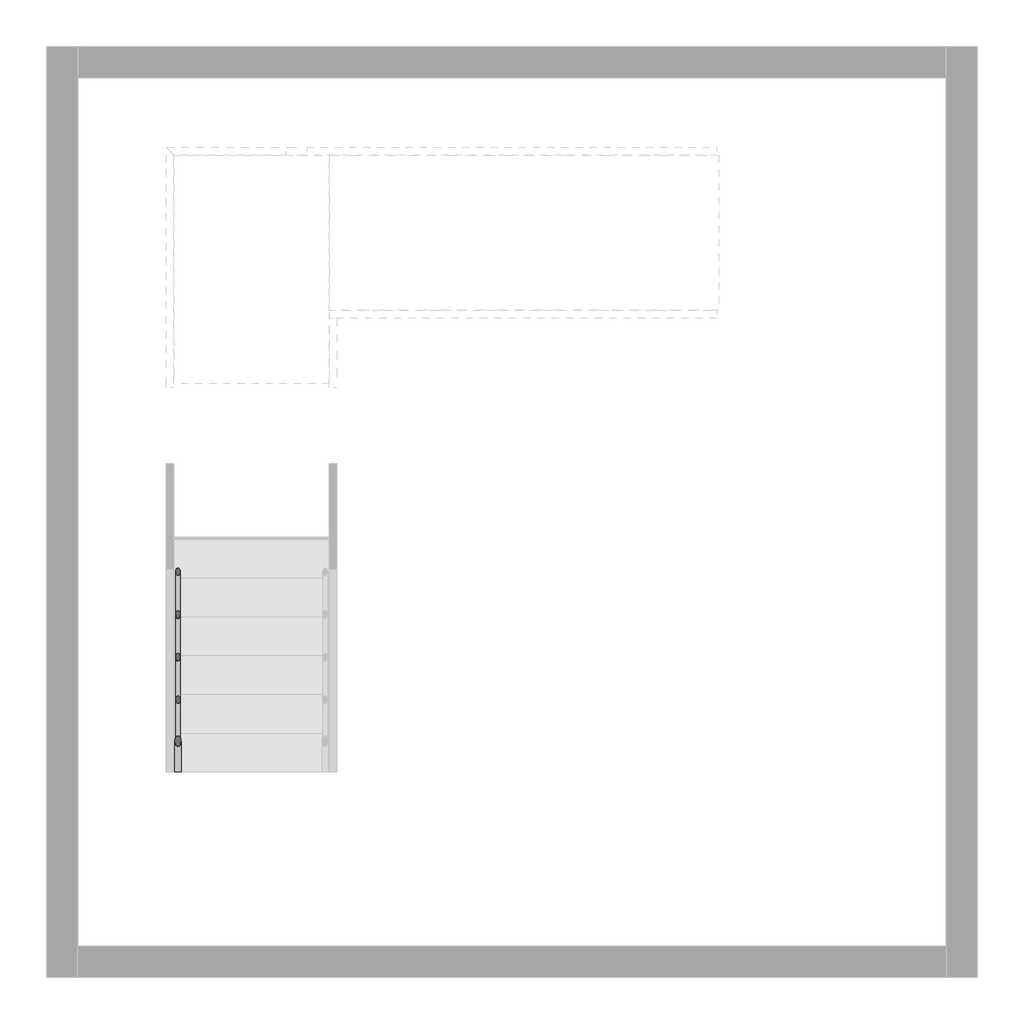
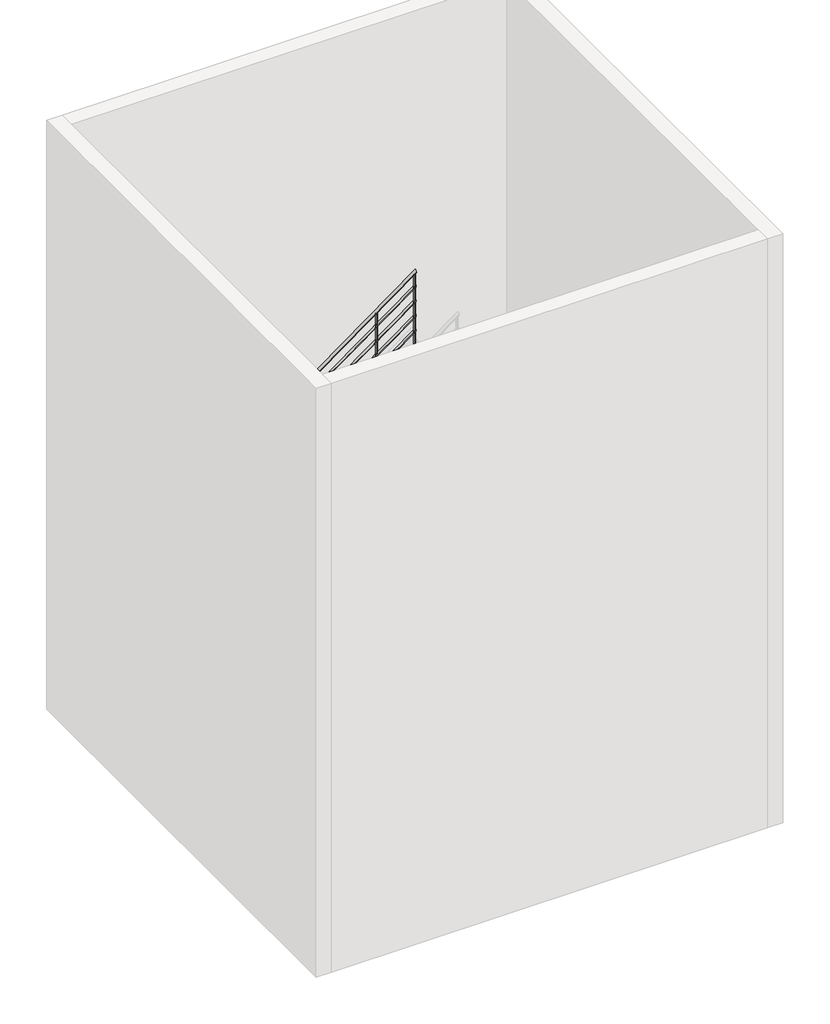
# One storey, part 4 of 7: 1 railing.
"""IFC4 building model written with IfcOpenShell, lengths in millimetres."""

import ifcopenshell
import ifcopenshell.guid

model = None  # the IFC model being written
_history = None  # IfcOwnerHistory: only IFC2X3 demands one
_inside = {}  # id of a spatial element -> (the spatial element, [elements in it])
_under = {}  # id of a project, library or spatial element -> (it, [spatial elements below it])
_declared = {}  # id of a project -> (the project, [libraries it declares])
_typed = {}  # id of a type object -> (the type object, [elements of that type])
_made_of = {}  # id of a material, layer set ... -> (it, [elements and type objects made of it])


def new_model(schema):
    """Start an empty IFC model of exactly this schema.

    Asked for "IFC4X3", IfcOpenShell would pick the latest addendum, in which some entities
    have other attributes; the version numbers below select the first issue.
    IFC2X3 requires an IfcOwnerHistory on every rooted entity: one is made here for all.
    """
    global model, _history
    if schema == "IFC4X3":
        model = ifcopenshell.file(schema_version=(4, 3, 0, 0))
    else:
        model = ifcopenshell.file(schema=schema)
    _inside.clear()
    _under.clear()
    _declared.clear()
    _typed.clear()
    _made_of.clear()
    _history = None
    if model.schema == "IFC2X3":
        org = make("IfcOrganization", Name="unknown")
        user = make(
            "IfcPersonAndOrganization",
            ThePerson=make("IfcPerson", FamilyName="unknown"),
            TheOrganization=org,
        )
        app = make(
            "IfcApplication",
            ApplicationDeveloper=org,
            Version="unknown",
            ApplicationFullName="unknown",
            ApplicationIdentifier="unknown",
        )
        _history = make(
            "IfcOwnerHistory",
            OwningUser=user,
            OwningApplication=app,
            ChangeAction="ADDED",
            CreationDate=0,
        )
    return model


def make(cls, **values):
    """One entity of the class cls with the attributes given. An attribute that is None is left unset."""
    return model.create_entity(
        cls, **{name: value for name, value in values.items() if value is not None}
    )


def rooted(cls, **values):
    """An entity with a GlobalId (a new one), such as an element, a storey or a relation."""
    return make(cls, GlobalId=ifcopenshell.guid.new(), OwnerHistory=_history, **values)


def si_unit(unit_type, name, prefix=None):
    """IfcSIUnit, for example si_unit("LENGTHUNIT", "METRE", prefix="MILLI")."""
    return make("IfcSIUnit", UnitType=unit_type, Prefix=prefix, Name=name)


def assignment(units):
    """IfcUnitAssignment: the units of a project."""
    return None if units is None else make("IfcUnitAssignment", Units=units)


def point(xyz):
    """IfcCartesianPoint."""
    return None if xyz is None else make("IfcCartesianPoint", Coordinates=xyz)


def direction(xyz):
    """IfcDirection."""
    return None if xyz is None else make("IfcDirection", DirectionRatios=xyz)


def frame(location, z_axis=None, x_axis=None):
    """IfcAxis2Placement3D, a coordinate frame: its origin and axes. An axis left out is left unset."""
    return make(
        "IfcAxis2Placement3D",
        Location=point(location),
        Axis=direction(z_axis),
        RefDirection=direction(x_axis),
    )


def frame_2d(location, x_axis=None):
    """IfcAxis2Placement2D, a coordinate frame in the plane: its origin and x axis."""
    return make(
        "IfcAxis2Placement2D", Location=point(location), RefDirection=direction(x_axis)
    )


def origin():
    """The frame at (0, 0, 0) with its axes left unset."""
    return frame((0.0, 0.0, 0.0))


def place(relative_to, where):
    """IfcLocalPlacement: puts the frame where relative to a parent placement (None: the world)."""
    return make(
        "IfcLocalPlacement", PlacementRelTo=relative_to, RelativePlacement=where
    )


def context(
    kind, dimensions, precision=None, world=None, true_north=None, identifier=None
):
    """IfcGeometricRepresentationContext, for example the 3D "Model" context."""
    return make(
        "IfcGeometricRepresentationContext",
        ContextIdentifier=identifier,
        ContextType=kind,
        CoordinateSpaceDimension=dimensions,
        Precision=precision,
        WorldCoordinateSystem=world,
        TrueNorth=true_north,
    )


def project(units=None, contexts=None):
    """IfcProject with its units and contexts."""
    return rooted(
        "IfcProject",
        Name="project",
        RepresentationContexts=contexts,
        UnitsInContext=assignment(units),
    )


def spatial(cls, under=None, at=None, **own):
    """A site, building, storey or space (cls), placed at a placement, below another one or the project."""
    s = rooted(cls, ObjectPlacement=at, **own)
    if under is not None:
        _under.setdefault(under.id(), (under, []))[1].append(s)
    return s


def circle_curve(where, radius):
    """IfcCircle in the frame where."""
    return make("IfcCircle", Position=where, Radius=radius)


def ellipse_curve(where, semi_axis1, semi_axis2):
    """IfcEllipse in the frame where."""
    return make(
        "IfcEllipse", Position=where, SemiAxis1=semi_axis1, SemiAxis2=semi_axis2
    )


def trimmed(basis, trim1, trim2, sense, master):
    """IfcTrimmedCurve: the piece of a basis curve between two trims."""
    return make(
        "IfcTrimmedCurve",
        BasisCurve=basis,
        Trim1=trim1,
        Trim2=trim2,
        SenseAgreement=sense,
        MasterRepresentation=master,
    )


def segment(curve, same_sense, transition):
    """IfcCompositeCurveSegment."""
    return make(
        "IfcCompositeCurveSegment",
        Transition=transition,
        SameSense=same_sense,
        ParentCurve=curve,
    )


def composite_curve(segments, self_intersect=None):
    """IfcCompositeCurve: segments joined end to end."""
    return make("IfcCompositeCurve", Segments=segments, SelfIntersect=self_intersect)


def outline(outer, holes=None, kind="AREA"):
    """IfcArbitraryClosedProfileDef: a profile drawn as a closed curve; with holes, ...WithVoids."""
    if holes is None:
        return make("IfcArbitraryClosedProfileDef", ProfileType=kind, OuterCurve=outer)
    return make(
        "IfcArbitraryProfileDefWithVoids",
        ProfileType=kind,
        OuterCurve=outer,
        InnerCurves=holes,
    )


def extrude(swept, where, along, depth):
    """IfcExtrudedAreaSolid: the profile swept, set in the frame where, extruded along a direction by depth."""
    return make(
        "IfcExtrudedAreaSolid",
        SweptArea=swept,
        Position=where,
        ExtrudedDirection=direction(along),
        Depth=depth,
    )


def shape(context_of_items, identifier, shape_type, items):
    """IfcShapeRepresentation: the items that make up one representation, for example the "Body"."""
    return make(
        "IfcShapeRepresentation",
        ContextOfItems=context_of_items,
        RepresentationIdentifier=identifier,
        RepresentationType=shape_type,
        Items=items,
    )


def made_of(thing, what):
    """Note that an element or type object is made of a material, layer set ...; save() writes the relation."""
    if what is not None:
        _made_of.setdefault(what.id(), (what, []))[1].append(thing)
    return thing


def element(
    cls,
    number,
    at=None,
    inside=None,
    cuts=None,
    type_object=None,
    material=None,
    context=None,
    identifier="Body",
    shape_type=None,
    held_by="IfcProductDefinitionShape",
    body=None,
    shapes=None,
    **own,
):
    """One element of the class cls, such as IfcWall. Its Tag is "e" and its number.

    at: its placement. inside: the storey or other place that contains it. cuts: it is an
    opening in that element (IfcRelVoidsElement). A single representation is given by context,
    identifier, shape_type and body (its items); several are given by shapes. held_by: the class
    of the entity that holds the representations. save() writes the other relations.
    """
    e = rooted(cls, Tag="e%d" % number, ObjectPlacement=at, **own)
    if body is not None:
        shapes = [shape(context, identifier, shape_type, body)]
    if shapes is not None:
        e.Representation = make(held_by, Representations=shapes)
    if inside is not None:
        _inside.setdefault(inside.id(), (inside, []))[1].append(e)
    if cuts is not None:
        rooted(
            "IfcRelVoidsElement", RelatingBuildingElement=cuts, RelatedOpeningElement=e
        )
    if type_object is not None:
        _typed.setdefault(type_object.id(), (type_object, []))[1].append(e)
    return made_of(e, material)


def aggregate(whole, parts):
    """IfcRelAggregates: a whole, such as a stair, and the parts it consists of."""
    return rooted("IfcRelAggregates", RelatingObject=whole, RelatedObjects=parts)


def save(model, path):
    """Write the relations noted so far, then the file.

    IfcRelAggregates (storeys below a building ...), IfcRelContainedInSpatialStructure (elements
    in a storey), IfcRelDefinesByType, IfcRelAssociatesMaterial and IfcRelDeclares: one each for
    every whole, place, type object, material and project.
    """
    for whole, parts in _under.values():
        aggregate(whole, parts)
    for where, things in _inside.values():
        rooted(
            "IfcRelContainedInSpatialStructure",
            RelatedElements=things,
            RelatingStructure=where,
        )
    for kind, things in _typed.values():
        rooted("IfcRelDefinesByType", RelatedObjects=things, RelatingType=kind)
    for what, things in _made_of.values():
        rooted("IfcRelAssociatesMaterial", RelatedObjects=things, RelatingMaterial=what)
    for by, libraries in _declared.values():
        rooted("IfcRelDeclares", RelatingContext=by, RelatedDefinitions=libraries)
    model.write(path)


def plane_surface(at):
    """IfcPlane: the flat surface through the origin of the frame at, square to its z axis."""
    return make("IfcPlane", Position=at)


def cylinder_surface(at, radius):
    """IfcCylindricalSurface: all points at the distance radius from the z axis of the frame at."""
    return make("IfcCylindricalSurface", Position=at, Radius=radius)


def advanced_brep(points, edges, surfaces, faces):
    """IfcAdvancedBrep: a solid bounded by faces that lie on surfaces and meet in shared edges.

    An edge is (start, end): straight between two places in points (the first is 0);
    or (start, end, curve); or (start, end, curve, False) where it runs against its curve.
    A face is (place in surfaces, loops), or (place, loops, False) where it looks against
    its surface's normal. A loop lists edges by number (the first is 1), with a minus sign
    where the edge is run from its end to its start. The first loop is the outer one.
    """
    corners = [point(p) for p in points]
    vertices = [make("IfcVertexPoint", VertexGeometry=c) for c in corners]
    made = []
    for start, end, *more in edges:
        made.append(
            make(
                "IfcEdgeCurve",
                EdgeStart=vertices[start],
                EdgeEnd=vertices[end],
                EdgeGeometry=more[0] if more else make("IfcPolyline", Points=[corners[start], corners[end]]),
                SameSense=more[1] if len(more) > 1 else True,
            )
        )
    hull = []
    for where, loops, *sense in faces:
        bounds = []
        for j, loop in enumerate(loops):
            ring = [make("IfcOrientedEdge", EdgeElement=made[abs(k) - 1], Orientation=k > 0) for k in loop]
            bounds.append(
                make(
                    "IfcFaceOuterBound" if j == 0 else "IfcFaceBound",
                    Bound=make("IfcEdgeLoop", EdgeList=ring),
                    Orientation=True,
                )
            )
        hull.append(make("IfcAdvancedFace", Bounds=bounds, FaceSurface=surfaces[where], SameSense=sense[0] if sense else True))
    return make("IfcAdvancedBrep", Outer=make("IfcClosedShell", CfsFaces=hull))


model = new_model("IFC4")

# Units and contexts
model_context = context("Model", 3, world=origin())
ifc_project = project(units=[si_unit("LENGTHUNIT", "METRE", prefix="MILLI")], contexts=[model_context])

# Site, building, storey
site = spatial("IfcSite", under=ifc_project)
building = spatial("IfcBuilding", under=site)
storey = spatial("IfcBuildingStorey", under=building, Elevation=0.0)

# Railing
placement = place(None, origin())
element("IfcRailing", 1, at=placement, inside=storey, context=model_context, shape_type="SolidModel", body=[
    advanced_brep(
    [(-5075.0675457, -20822.7019092, 1057.0882354), (-5115.0675457, -20822.7019092, 1057.0882354), (-5075.0675457, -18316.198233, 2880.0), (-5115.0675457, -18316.198233, 2880.0), (-5075.0675457, -16893.6676251, 2880.0), (-5115.0675457, -16853.6676251, 2880.0), (-4363.9638695, -16893.6676251, 2880.0), (-4363.9638695, -16853.6676251, 2880.0), (-4108.7041118, -16893.6676251, 3065.6434601), (-4108.7041118, -16853.6676251, 3065.6434601), (-1620.4675457, -16893.6676251, 4875.2700536), (-1620.4675457, -16853.6676251, 4875.2700536)],
    [
        (0, 1, ellipse_curve(frame((-5095.0675457, -20822.7019092, 1057.0882354), z_axis=(0.0, -1.0, 0.0), x_axis=(0.0, 0.0, -1.0)), 24.7299464, 20.0)),
        (1, 0, ellipse_curve(frame((-5095.0675457, -20822.7019092, 1057.0882354), z_axis=(0.0, -1.0, 0.0), x_axis=(0.0, 0.0, -1.0)), 24.7299464, 20.0)),
        (0, 2),
        (2, 3, ellipse_curve(frame((-5095.0675457, -18316.198233, 2880.0), z_axis=(0.0, -0.9509826718461248, -0.30924417189076636), x_axis=(0.0, 0.30924417189076703, -0.9509826718461245)), 21.0308774, 20.0)),
        (3, 1),
        (3, 2, ellipse_curve(frame((-5095.0675457, -18316.198233, 2880.0), z_axis=(0.0, -0.9509826718461248, -0.30924417189076636), x_axis=(0.0, 0.30924417189076703, -0.9509826718461245)), 21.0308774, 20.0)),
        (2, 4),
        (4, 5, ellipse_curve(frame((-5095.0675457, -16873.6676251, 2880.0), z_axis=(-0.7071067811865475, -0.7071067811865475, 0.0), x_axis=(0.7071067811865474, -0.7071067811865476, 0.0)), 28.2842712, 20.0)),
        (5, 3),
        (5, 4, ellipse_curve(frame((-5095.0675457, -16873.6676251, 2880.0), z_axis=(-0.7071067811865475, -0.7071067811865475, 0.0), x_axis=(0.7071067811865474, -0.7071067811865476, 0.0)), 28.2842712, 20.0)),
        (4, 6),
        (6, 7, ellipse_curve(frame((-4363.9638695, -16873.6676251, 2880.0), z_axis=(-0.9509826718461248, 0.0, -0.3092441718907662), x_axis=(-0.3092441718907657, 0.0, 0.9509826718461248)), 21.0308774, 20.0)),
        (7, 5),
        (7, 6, ellipse_curve(frame((-4363.9638695, -16873.6676251, 2880.0), z_axis=(-0.9509826718461248, 0.0, -0.3092441718907662), x_axis=(-0.3092441718907657, 0.0, 0.9509826718461248)), 21.0308774, 20.0)),
        (6, 8),
        (8, 9, circle_curve(frame((-4108.7041118, -16873.6676251, 3065.6434601), z_axis=(-0.8087360843031884, 0.0, -0.5881716976750463), x_axis=(0.0, 1.0, 0.0)), 20.0)),
        (9, 7),
        (9, 8, circle_curve(frame((-4108.7041118, -16873.6676251, 3065.6434601), z_axis=(-0.8087360843031884, 0.0, -0.5881716976750463), x_axis=(0.0, 1.0, 0.0)), 20.0)),
        (10, 11, ellipse_curve(frame((-1620.4675457, -16873.6676251, 4875.2700536), z_axis=(1.0, 0.0, 0.0), x_axis=(0.0, 0.0, -1.0)), 24.7299464, 20.0)),
        (11, 10, ellipse_curve(frame((-1620.4675457, -16873.6676251, 4875.2700536), z_axis=(1.0, 0.0, 0.0), x_axis=(0.0, 0.0, -1.0)), 24.7299464, 20.0)),
        (8, 10),
        (11, 9),
    ],
    [
        plane_surface(frame((-5095.0675457, -20822.7019092, 1081.8181818), z_axis=(0.0, -1.0, 0.0), x_axis=(0.0, 0.0, 1.0))),
        cylinder_surface(frame((-5095.0675457, -20810.9384753, 1065.6434601), z_axis=(0.0, -0.8087360843031884, -0.5881716976750465), x_axis=(-1.0, 0.0, 0.0)), 20.0),
        cylinder_surface(frame((-5095.0675457, -18322.7019092, 2880.0), z_axis=(0.0, -1.0, 0.0), x_axis=(-1.0, 0.0, 0.0)), 20.0),
        cylinder_surface(frame((-5095.0675457, -16873.6676251, 2880.0), z_axis=(-1.0, 0.0, 0.0), x_axis=(0.0, 1.0, 0.0)), 20.0),
        cylinder_surface(frame((-4358.7041118, -16873.6676251, 2883.8252783), z_axis=(-0.8087360843031884, 0.0, -0.5881716976750463), x_axis=(0.0, 1.0, 0.0)), 20.0),
        plane_surface(frame((-1620.4675457, -16873.6676251, 4900.0), z_axis=(1.0, 0.0, 0.0), x_axis=(0.0, 1.0, 0.0))),
        cylinder_surface(frame((-4108.7041118, -16873.6676251, 3065.6434601), z_axis=(-0.8087360843031883, 0.0, -0.5881716976750465), x_axis=(0.0, 1.0, 0.0)), 20.0),
    ],
    [
        (0, [[1, 2]]),
        (1, [[-1, 3, 4, 5]]),
        (1, [[-2, -5, 6, -3]]),
        (2, [[-4, 7, 8, 9]]),
        (2, [[-6, -9, 10, -7]]),
        (3, [[-8, 11, 12, 13]]),
        (3, [[-10, -13, 14, -11]]),
        (4, [[-12, 15, 16, 17]]),
        (4, [[-14, -17, 18, -15]]),
        (5, [[19, 20]]),
        (6, [[-16, 21, -20, 22]]),
        (6, [[-18, -22, -19, -21]]),
    ],
),
    advanced_brep(
    [(-5080.0675457, -20822.7019092, 863.270722), (-5110.0675457, -20822.7019092, 863.270722), (-5080.0675457, -18322.7019092, 2681.4525402), (-5110.0675457, -18322.7019092, 2681.4525402)],
    [
        (0, 1, ellipse_curve(frame((-5095.0675457, -20822.7019092, 863.270722), z_axis=(0.0, -1.0, 0.0), x_axis=(0.0, 0.0, -1.0)), 18.5474598, 15.0)),
        (1, 0, ellipse_curve(frame((-5095.0675457, -20822.7019092, 863.270722), z_axis=(0.0, -1.0, 0.0), x_axis=(0.0, 0.0, -1.0)), 18.5474598, 15.0)),
        (2, 3, ellipse_curve(frame((-5095.0675457, -18322.7019092, 2681.4525402), z_axis=(0.0, 1.0, 0.0), x_axis=(0.0, 0.0, -1.0)), 18.5474598, 15.0)),
        (3, 2, ellipse_curve(frame((-5095.0675457, -18322.7019092, 2681.4525402), z_axis=(0.0, 1.0, 0.0), x_axis=(0.0, 0.0, -1.0)), 18.5474598, 15.0)),
        (0, 2),
        (3, 1),
    ],
    [
        plane_surface(frame((-5095.0675457, -20822.7019092, 881.8181818), z_axis=(0.0, -1.0, 0.0), x_axis=(0.0, 0.0, 1.0))),
        plane_surface(frame((-5095.0675457, -18322.7019092, 2700.0), z_axis=(0.0, 1.0, 0.0), x_axis=(0.0, 0.0, 1.0))),
        cylinder_surface(frame((-5095.0675457, -20813.8793338, 869.6871406), z_axis=(0.0, -0.8087360843031888, -0.588171697675046), x_axis=(-1.0, 0.0, 0.0)), 15.0),
    ],
    [
        (0, [[1, 2]]),
        (1, [[3, 4]]),
        (2, [[-1, 5, -4, 6]]),
        (2, [[-2, -6, -3, -5]]),
    ],
),
    advanced_brep(
    [(-5080.0675457, -18322.7019092, 2685.0), (-5110.0675457, -18322.7019092, 2685.0), (-5080.0675457, -16888.6676251, 2685.0), (-5110.0675457, -16888.6676251, 2685.0)],
    [
        (0, 1, circle_curve(frame((-5095.0675457, -18322.7019092, 2685.0), z_axis=(0.0, -1.0, 0.0), x_axis=(-1.0, 0.0, 0.0)), 15.0)),
        (1, 0, circle_curve(frame((-5095.0675457, -18322.7019092, 2685.0), z_axis=(0.0, -1.0, 0.0), x_axis=(-1.0, 0.0, 0.0)), 15.0)),
        (2, 3, circle_curve(frame((-5095.0675457, -16888.6676251, 2685.0), z_axis=(0.0, 1.0, 0.0), x_axis=(-1.0, 0.0, 0.0)), 15.0)),
        (3, 2, circle_curve(frame((-5095.0675457, -16888.6676251, 2685.0), z_axis=(0.0, 1.0, 0.0), x_axis=(-1.0, 0.0, 0.0)), 15.0)),
        (0, 2),
        (3, 1),
    ],
    [
        plane_surface(frame((-5095.0675457, -18322.7019092, 2700.0), z_axis=(0.0, -1.0, 0.0), x_axis=(0.0, 0.0, 1.0))),
        plane_surface(frame((-5095.0675457, -16888.6676251, 2700.0), z_axis=(0.0, 1.0, 0.0), x_axis=(0.0, 0.0, 1.0))),
        cylinder_surface(frame((-5095.0675457, -18322.7019092, 2685.0), z_axis=(0.0, -1.0, 0.0), x_axis=(-1.0, 0.0, 0.0)), 15.0),
    ],
    [
        (0, [[1, 2]]),
        (1, [[3, 4]]),
        (2, [[-1, 5, -4, 6]]),
        (2, [[-2, -6, -3, -5]]),
    ],
),
    advanced_brep(
    [(-5110.0675457, -16888.6676251, 2685.0), (-5110.0675457, -16858.6676251, 2685.0), (-4365.5897885, -16888.6676251, 2685.0), (-4365.5897885, -16858.6676251, 2685.0), (-4120.4675457, -16888.6676251, 2863.270722), (-4120.4675457, -16858.6676251, 2863.270722)],
    [
        (0, 1, circle_curve(frame((-5110.0675457, -16873.6676251, 2685.0), z_axis=(-1.0, 0.0, 0.0), x_axis=(0.0, 1.0, 0.0)), 15.0)),
        (1, 0, circle_curve(frame((-5110.0675457, -16873.6676251, 2685.0), z_axis=(-1.0, 0.0, 0.0), x_axis=(0.0, 1.0, 0.0)), 15.0)),
        (0, 2),
        (2, 3, ellipse_curve(frame((-4365.5897885, -16873.6676251, 2685.0), z_axis=(-0.9509826718461248, 0.0, -0.30924417189076603), x_axis=(-0.3092441718907659, 0.0, 0.9509826718461248)), 15.7731581, 15.0)),
        (3, 1),
        (3, 2, ellipse_curve(frame((-4365.5897885, -16873.6676251, 2685.0), z_axis=(-0.9509826718461248, 0.0, -0.30924417189076603), x_axis=(-0.3092441718907659, 0.0, 0.9509826718461248)), 15.7731581, 15.0)),
        (4, 5, ellipse_curve(frame((-4120.4675457, -16873.6676251, 2863.270722), z_axis=(1.0, 0.0, 0.0), x_axis=(0.0, 0.0, -1.0)), 18.5474598, 15.0)),
        (5, 4, ellipse_curve(frame((-4120.4675457, -16873.6676251, 2863.270722), z_axis=(1.0, 0.0, 0.0), x_axis=(0.0, 0.0, -1.0)), 18.5474598, 15.0)),
        (2, 4),
        (5, 3),
    ],
    [
        plane_surface(frame((-5110.0675457, -16873.6676251, 2700.0), z_axis=(-1.0, 0.0, 0.0), x_axis=(0.0, 1.0, 0.0))),
        cylinder_surface(frame((-5110.0675457, -16873.6676251, 2685.0), z_axis=(-1.0, 0.0, 0.0), x_axis=(0.0, 1.0, 0.0)), 15.0),
        plane_surface(frame((-4120.4675457, -16873.6676251, 2881.8181818), z_axis=(1.0, 0.0, 0.0), x_axis=(0.0, 1.0, 0.0))),
        cylinder_surface(frame((-4361.6449703, -16873.6676251, 2687.8689587), z_axis=(-0.8087360843031887, 0.0, -0.588171697675046), x_axis=(0.0, 1.0, 0.0)), 15.0),
    ],
    [
        (0, [[1, 2]]),
        (1, [[-1, 3, 4, 5]]),
        (1, [[-2, -5, 6, -3]]),
        (2, [[7, 8]]),
        (3, [[-4, 9, -8, 10]]),
        (3, [[-6, -10, -7, -9]]),
    ],
),
    advanced_brep(
    [(-4120.4675457, -16888.6676251, 2863.270722), (-4120.4675457, -16858.6676251, 2863.270722), (-1620.4675457, -16888.6676251, 4681.4525402), (-1620.4675457, -16858.6676251, 4681.4525402)],
    [
        (0, 1, ellipse_curve(frame((-4120.4675457, -16873.6676251, 2863.270722), z_axis=(-1.0, 0.0, 0.0), x_axis=(0.0, 0.0, -0.9999999999999999)), 18.5474598, 15.0)),
        (1, 0, ellipse_curve(frame((-4120.4675457, -16873.6676251, 2863.270722), z_axis=(-1.0, 0.0, 0.0), x_axis=(0.0, 0.0, -0.9999999999999999)), 18.5474598, 15.0)),
        (2, 3, ellipse_curve(frame((-1620.4675457, -16873.6676251, 4681.4525402), z_axis=(1.0, 0.0, 0.0), x_axis=(0.0, 0.0, -0.9999999999999999)), 18.5474598, 15.0)),
        (3, 2, ellipse_curve(frame((-1620.4675457, -16873.6676251, 4681.4525402), z_axis=(1.0, 0.0, 0.0), x_axis=(0.0, 0.0, -0.9999999999999999)), 18.5474598, 15.0)),
        (0, 2),
        (3, 1),
    ],
    [
        plane_surface(frame((-4120.4675457, -16873.6676251, 2881.8181818), z_axis=(-1.0, 0.0, 0.0), x_axis=(0.0, 1.0, 0.0))),
        plane_surface(frame((-1620.4675457, -16873.6676251, 4700.0), z_axis=(1.0, 0.0, 0.0), x_axis=(0.0, 1.0, 0.0))),
        cylinder_surface(frame((-4111.6449703, -16873.6676251, 2869.6871406), z_axis=(-0.8087360843031886, 0.0, -0.5881716976750463), x_axis=(0.0, 1.0, 0.0)), 15.0),
    ],
    [
        (0, [[1, 2]]),
        (1, [[3, 4]]),
        (2, [[-1, 5, -4, 6]]),
        (2, [[-2, -6, -3, -5]]),
    ],
),
    advanced_brep(
    [(-5080.0675457, -20822.7019092, 663.270722), (-5110.0675457, -20822.7019092, 663.270722), (-5080.0675457, -18322.7019092, 2481.4525402), (-5110.0675457, -18322.7019092, 2481.4525402)],
    [
        (0, 1, ellipse_curve(frame((-5095.0675457, -20822.7019092, 663.270722), z_axis=(0.0, -1.0, 0.0), x_axis=(0.0, 0.0, -1.0)), 18.5474598, 15.0)),
        (1, 0, ellipse_curve(frame((-5095.0675457, -20822.7019092, 663.270722), z_axis=(0.0, -1.0, 0.0), x_axis=(0.0, 0.0, -1.0)), 18.5474598, 15.0)),
        (2, 3, ellipse_curve(frame((-5095.0675457, -18322.7019092, 2481.4525402), z_axis=(0.0, 1.0, 0.0), x_axis=(0.0, 0.0, -1.0)), 18.5474598, 15.0)),
        (3, 2, ellipse_curve(frame((-5095.0675457, -18322.7019092, 2481.4525402), z_axis=(0.0, 1.0, 0.0), x_axis=(0.0, 0.0, -1.0)), 18.5474598, 15.0)),
        (0, 2),
        (3, 1),
    ],
    [
        plane_surface(frame((-5095.0675457, -20822.7019092, 681.8181818), z_axis=(0.0, -1.0, 0.0), x_axis=(0.0, 0.0, 1.0))),
        plane_surface(frame((-5095.0675457, -18322.7019092, 2500.0), z_axis=(0.0, 1.0, 0.0), x_axis=(0.0, 0.0, 1.0))),
        cylinder_surface(frame((-5095.0675457, -20813.8793338, 669.6871406), z_axis=(0.0, -0.8087360843031888, -0.588171697675046), x_axis=(-1.0, 0.0, 0.0)), 15.0),
    ],
    [
        (0, [[1, 2]]),
        (1, [[3, 4]]),
        (2, [[-1, 5, -4, 6]]),
        (2, [[-2, -6, -3, -5]]),
    ],
),
    advanced_brep(
    [(-5080.0675457, -18322.7019092, 2485.0), (-5110.0675457, -18322.7019092, 2485.0), (-5080.0675457, -16888.6676251, 2485.0), (-5110.0675457, -16888.6676251, 2485.0)],
    [
        (0, 1, circle_curve(frame((-5095.0675457, -18322.7019092, 2485.0), z_axis=(0.0, -1.0, 0.0), x_axis=(-1.0, 0.0, 0.0)), 15.0)),
        (1, 0, circle_curve(frame((-5095.0675457, -18322.7019092, 2485.0), z_axis=(0.0, -1.0, 0.0), x_axis=(-1.0, 0.0, 0.0)), 15.0)),
        (2, 3, circle_curve(frame((-5095.0675457, -16888.6676251, 2485.0), z_axis=(0.0, 1.0, 0.0), x_axis=(-1.0, 0.0, 0.0)), 15.0)),
        (3, 2, circle_curve(frame((-5095.0675457, -16888.6676251, 2485.0), z_axis=(0.0, 1.0, 0.0), x_axis=(-1.0, 0.0, 0.0)), 15.0)),
        (0, 2),
        (3, 1),
    ],
    [
        plane_surface(frame((-5095.0675457, -18322.7019092, 2500.0), z_axis=(0.0, -1.0, 0.0), x_axis=(0.0, 0.0, 1.0))),
        plane_surface(frame((-5095.0675457, -16888.6676251, 2500.0), z_axis=(0.0, 1.0, 0.0), x_axis=(0.0, 0.0, 1.0))),
        cylinder_surface(frame((-5095.0675457, -18322.7019092, 2485.0), z_axis=(0.0, -1.0, 0.0), x_axis=(-1.0, 0.0, 0.0)), 15.0),
    ],
    [
        (0, [[1, 2]]),
        (1, [[3, 4]]),
        (2, [[-1, 5, -4, 6]]),
        (2, [[-2, -6, -3, -5]]),
    ],
),
    advanced_brep(
    [(-5110.0675457, -16888.6676251, 2485.0), (-5110.0675457, -16858.6676251, 2485.0), (-4365.5897885, -16888.6676251, 2485.0), (-4365.5897885, -16858.6676251, 2485.0), (-4120.4675457, -16888.6676251, 2663.270722), (-4120.4675457, -16858.6676251, 2663.270722)],
    [
        (0, 1, circle_curve(frame((-5110.0675457, -16873.6676251, 2485.0), z_axis=(-1.0, 0.0, 0.0), x_axis=(0.0, 1.0, 0.0)), 15.0)),
        (1, 0, circle_curve(frame((-5110.0675457, -16873.6676251, 2485.0), z_axis=(-1.0, 0.0, 0.0), x_axis=(0.0, 1.0, 0.0)), 15.0)),
        (0, 2),
        (2, 3, ellipse_curve(frame((-4365.5897885, -16873.6676251, 2485.0), z_axis=(-0.9509826718461248, 0.0, -0.30924417189076603), x_axis=(-0.3092441718907659, 0.0, 0.9509826718461248)), 15.7731581, 15.0)),
        (3, 1),
        (3, 2, ellipse_curve(frame((-4365.5897885, -16873.6676251, 2485.0), z_axis=(-0.9509826718461248, 0.0, -0.30924417189076603), x_axis=(-0.3092441718907659, 0.0, 0.9509826718461248)), 15.7731581, 15.0)),
        (4, 5, ellipse_curve(frame((-4120.4675457, -16873.6676251, 2663.270722), z_axis=(1.0, 0.0, 0.0), x_axis=(0.0, 0.0, -1.0)), 18.5474598, 15.0)),
        (5, 4, ellipse_curve(frame((-4120.4675457, -16873.6676251, 2663.270722), z_axis=(1.0, 0.0, 0.0), x_axis=(0.0, 0.0, -1.0)), 18.5474598, 15.0)),
        (2, 4),
        (5, 3),
    ],
    [
        plane_surface(frame((-5110.0675457, -16873.6676251, 2500.0), z_axis=(-1.0, 0.0, 0.0), x_axis=(0.0, 1.0, 0.0))),
        cylinder_surface(frame((-5110.0675457, -16873.6676251, 2485.0), z_axis=(-1.0, 0.0, 0.0), x_axis=(0.0, 1.0, 0.0)), 15.0),
        plane_surface(frame((-4120.4675457, -16873.6676251, 2681.8181818), z_axis=(1.0, 0.0, 0.0), x_axis=(0.0, 1.0, 0.0))),
        cylinder_surface(frame((-4361.6449703, -16873.6676251, 2487.8689587), z_axis=(-0.8087360843031887, 0.0, -0.588171697675046), x_axis=(0.0, 1.0, 0.0)), 15.0),
    ],
    [
        (0, [[1, 2]]),
        (1, [[-1, 3, 4, 5]]),
        (1, [[-2, -5, 6, -3]]),
        (2, [[7, 8]]),
        (3, [[-4, 9, -8, 10]]),
        (3, [[-6, -10, -7, -9]]),
    ],
),
    advanced_brep(
    [(-4120.4675457, -16888.6676251, 2663.270722), (-4120.4675457, -16858.6676251, 2663.270722), (-1620.4675457, -16888.6676251, 4481.4525402), (-1620.4675457, -16858.6676251, 4481.4525402)],
    [
        (0, 1, ellipse_curve(frame((-4120.4675457, -16873.6676251, 2663.270722), z_axis=(-1.0, 0.0, 0.0), x_axis=(0.0, 0.0, -0.9999999999999999)), 18.5474598, 15.0)),
        (1, 0, ellipse_curve(frame((-4120.4675457, -16873.6676251, 2663.270722), z_axis=(-1.0, 0.0, 0.0), x_axis=(0.0, 0.0, -0.9999999999999999)), 18.5474598, 15.0)),
        (2, 3, ellipse_curve(frame((-1620.4675457, -16873.6676251, 4481.4525402), z_axis=(1.0, 0.0, 0.0), x_axis=(0.0, 0.0, -0.9999999999999999)), 18.5474598, 15.0)),
        (3, 2, ellipse_curve(frame((-1620.4675457, -16873.6676251, 4481.4525402), z_axis=(1.0, 0.0, 0.0), x_axis=(0.0, 0.0, -0.9999999999999999)), 18.5474598, 15.0)),
        (0, 2),
        (3, 1),
    ],
    [
        plane_surface(frame((-4120.4675457, -16873.6676251, 2681.8181818), z_axis=(-1.0, 0.0, 0.0), x_axis=(0.0, 1.0, 0.0))),
        plane_surface(frame((-1620.4675457, -16873.6676251, 4500.0), z_axis=(1.0, 0.0, 0.0), x_axis=(0.0, 1.0, 0.0))),
        cylinder_surface(frame((-4111.6449703, -16873.6676251, 2669.6871406), z_axis=(-0.8087360843031886, 0.0, -0.5881716976750463), x_axis=(0.0, 1.0, 0.0)), 15.0),
    ],
    [
        (0, [[1, 2]]),
        (1, [[3, 4]]),
        (2, [[-1, 5, -4, 6]]),
        (2, [[-2, -6, -3, -5]]),
    ],
),
    advanced_brep(
    [(-5080.0675457, -20822.7019092, 463.270722), (-5110.0675457, -20822.7019092, 463.270722), (-5080.0675457, -18322.7019092, 2281.4525402), (-5110.0675457, -18322.7019092, 2281.4525402)],
    [
        (0, 1, ellipse_curve(frame((-5095.0675457, -20822.7019092, 463.270722), z_axis=(0.0, -1.0, 0.0), x_axis=(0.0, 0.0, -1.0)), 18.5474598, 15.0)),
        (1, 0, ellipse_curve(frame((-5095.0675457, -20822.7019092, 463.270722), z_axis=(0.0, -1.0, 0.0), x_axis=(0.0, 0.0, -1.0)), 18.5474598, 15.0)),
        (2, 3, ellipse_curve(frame((-5095.0675457, -18322.7019092, 2281.4525402), z_axis=(0.0, 1.0, 0.0), x_axis=(0.0, 0.0, -1.0)), 18.5474598, 15.0)),
        (3, 2, ellipse_curve(frame((-5095.0675457, -18322.7019092, 2281.4525402), z_axis=(0.0, 1.0, 0.0), x_axis=(0.0, 0.0, -1.0)), 18.5474598, 15.0)),
        (0, 2),
        (3, 1),
    ],
    [
        plane_surface(frame((-5095.0675457, -20822.7019092, 481.8181818), z_axis=(0.0, -1.0, 0.0), x_axis=(0.0, 0.0, 1.0))),
        plane_surface(frame((-5095.0675457, -18322.7019092, 2300.0), z_axis=(0.0, 1.0, 0.0), x_axis=(0.0, 0.0, 1.0))),
        cylinder_surface(frame((-5095.0675457, -20813.8793338, 469.6871406), z_axis=(0.0, -0.8087360843031888, -0.588171697675046), x_axis=(-1.0, 0.0, 0.0)), 15.0),
    ],
    [
        (0, [[1, 2]]),
        (1, [[3, 4]]),
        (2, [[-1, 5, -4, 6]]),
        (2, [[-2, -6, -3, -5]]),
    ],
),
    advanced_brep(
    [(-5080.0675457, -18322.7019092, 2285.0), (-5110.0675457, -18322.7019092, 2285.0), (-5080.0675457, -16888.6676251, 2285.0), (-5110.0675457, -16888.6676251, 2285.0)],
    [
        (0, 1, circle_curve(frame((-5095.0675457, -18322.7019092, 2285.0), z_axis=(0.0, -1.0, 0.0), x_axis=(-1.0, 0.0, 0.0)), 15.0)),
        (1, 0, circle_curve(frame((-5095.0675457, -18322.7019092, 2285.0), z_axis=(0.0, -1.0, 0.0), x_axis=(-1.0, 0.0, 0.0)), 15.0)),
        (2, 3, circle_curve(frame((-5095.0675457, -16888.6676251, 2285.0), z_axis=(0.0, 1.0, 0.0), x_axis=(-1.0, 0.0, 0.0)), 15.0)),
        (3, 2, circle_curve(frame((-5095.0675457, -16888.6676251, 2285.0), z_axis=(0.0, 1.0, 0.0), x_axis=(-1.0, 0.0, 0.0)), 15.0)),
        (0, 2),
        (3, 1),
    ],
    [
        plane_surface(frame((-5095.0675457, -18322.7019092, 2300.0), z_axis=(0.0, -1.0, 0.0), x_axis=(0.0, 0.0, 1.0))),
        plane_surface(frame((-5095.0675457, -16888.6676251, 2300.0), z_axis=(0.0, 1.0, 0.0), x_axis=(0.0, 0.0, 1.0))),
        cylinder_surface(frame((-5095.0675457, -18322.7019092, 2285.0), z_axis=(0.0, -1.0, 0.0), x_axis=(-1.0, 0.0, 0.0)), 15.0),
    ],
    [
        (0, [[1, 2]]),
        (1, [[3, 4]]),
        (2, [[-1, 5, -4, 6]]),
        (2, [[-2, -6, -3, -5]]),
    ],
),
    advanced_brep(
    [(-5110.0675457, -16888.6676251, 2285.0), (-5110.0675457, -16858.6676251, 2285.0), (-4365.5897885, -16888.6676251, 2285.0), (-4365.5897885, -16858.6676251, 2285.0), (-4120.4675457, -16888.6676251, 2463.270722), (-4120.4675457, -16858.6676251, 2463.270722)],
    [
        (0, 1, circle_curve(frame((-5110.0675457, -16873.6676251, 2285.0), z_axis=(-1.0, 0.0, 0.0), x_axis=(0.0, 1.0, 0.0)), 15.0)),
        (1, 0, circle_curve(frame((-5110.0675457, -16873.6676251, 2285.0), z_axis=(-1.0, 0.0, 0.0), x_axis=(0.0, 1.0, 0.0)), 15.0)),
        (0, 2),
        (2, 3, ellipse_curve(frame((-4365.5897885, -16873.6676251, 2285.0), z_axis=(-0.9509826718461248, 0.0, -0.30924417189076603), x_axis=(-0.3092441718907659, 0.0, 0.9509826718461248)), 15.7731581, 15.0)),
        (3, 1),
        (3, 2, ellipse_curve(frame((-4365.5897885, -16873.6676251, 2285.0), z_axis=(-0.9509826718461248, 0.0, -0.30924417189076603), x_axis=(-0.3092441718907659, 0.0, 0.9509826718461248)), 15.7731581, 15.0)),
        (4, 5, ellipse_curve(frame((-4120.4675457, -16873.6676251, 2463.270722), z_axis=(1.0, 0.0, 0.0), x_axis=(0.0, 0.0, -1.0)), 18.5474598, 15.0)),
        (5, 4, ellipse_curve(frame((-4120.4675457, -16873.6676251, 2463.270722), z_axis=(1.0, 0.0, 0.0), x_axis=(0.0, 0.0, -1.0)), 18.5474598, 15.0)),
        (2, 4),
        (5, 3),
    ],
    [
        plane_surface(frame((-5110.0675457, -16873.6676251, 2300.0), z_axis=(-1.0, 0.0, 0.0), x_axis=(0.0, 1.0, 0.0))),
        cylinder_surface(frame((-5110.0675457, -16873.6676251, 2285.0), z_axis=(-1.0, 0.0, 0.0), x_axis=(0.0, 1.0, 0.0)), 15.0),
        plane_surface(frame((-4120.4675457, -16873.6676251, 2481.8181818), z_axis=(1.0, 0.0, 0.0), x_axis=(0.0, 1.0, 0.0))),
        cylinder_surface(frame((-4361.6449703, -16873.6676251, 2287.8689587), z_axis=(-0.8087360843031887, 0.0, -0.588171697675046), x_axis=(0.0, 1.0, 0.0)), 15.0),
    ],
    [
        (0, [[1, 2]]),
        (1, [[-1, 3, 4, 5]]),
        (1, [[-2, -5, 6, -3]]),
        (2, [[7, 8]]),
        (3, [[-4, 9, -8, 10]]),
        (3, [[-6, -10, -7, -9]]),
    ],
),
    advanced_brep(
    [(-4120.4675457, -16888.6676251, 2463.270722), (-4120.4675457, -16858.6676251, 2463.270722), (-1620.4675457, -16888.6676251, 4281.4525402), (-1620.4675457, -16858.6676251, 4281.4525402)],
    [
        (0, 1, ellipse_curve(frame((-4120.4675457, -16873.6676251, 2463.270722), z_axis=(-1.0, 0.0, 0.0), x_axis=(0.0, 0.0, -0.9999999999999999)), 18.5474598, 15.0)),
        (1, 0, ellipse_curve(frame((-4120.4675457, -16873.6676251, 2463.270722), z_axis=(-1.0, 0.0, 0.0), x_axis=(0.0, 0.0, -0.9999999999999999)), 18.5474598, 15.0)),
        (2, 3, ellipse_curve(frame((-1620.4675457, -16873.6676251, 4281.4525402), z_axis=(1.0, 0.0, 0.0), x_axis=(0.0, 0.0, -0.9999999999999999)), 18.5474598, 15.0)),
        (3, 2, ellipse_curve(frame((-1620.4675457, -16873.6676251, 4281.4525402), z_axis=(1.0, 0.0, 0.0), x_axis=(0.0, 0.0, -0.9999999999999999)), 18.5474598, 15.0)),
        (0, 2),
        (3, 1),
    ],
    [
        plane_surface(frame((-4120.4675457, -16873.6676251, 2481.8181818), z_axis=(-1.0, 0.0, 0.0), x_axis=(0.0, 1.0, 0.0))),
        plane_surface(frame((-1620.4675457, -16873.6676251, 4300.0), z_axis=(1.0, 0.0, 0.0), x_axis=(0.0, 1.0, 0.0))),
        cylinder_surface(frame((-4111.6449703, -16873.6676251, 2469.6871406), z_axis=(-0.8087360843031886, 0.0, -0.5881716976750463), x_axis=(0.0, 1.0, 0.0)), 15.0),
    ],
    [
        (0, [[1, 2]]),
        (1, [[3, 4]]),
        (2, [[-1, 5, -4, 6]]),
        (2, [[-2, -6, -3, -5]]),
    ],
),
    advanced_brep(
    [(-5080.0675457, -20822.7019092, 263.270722), (-5110.0675457, -20822.7019092, 263.270722), (-5080.0675457, -18322.7019092, 2081.4525402), (-5110.0675457, -18322.7019092, 2081.4525402)],
    [
        (0, 1, ellipse_curve(frame((-5095.0675457, -20822.7019092, 263.270722), z_axis=(0.0, -1.0, 0.0), x_axis=(0.0, 0.0, -1.0)), 18.5474598, 15.0)),
        (1, 0, ellipse_curve(frame((-5095.0675457, -20822.7019092, 263.270722), z_axis=(0.0, -1.0, 0.0), x_axis=(0.0, 0.0, -1.0)), 18.5474598, 15.0)),
        (2, 3, ellipse_curve(frame((-5095.0675457, -18322.7019092, 2081.4525402), z_axis=(0.0, 1.0, 0.0), x_axis=(0.0, 0.0, -1.0)), 18.5474598, 15.0)),
        (3, 2, ellipse_curve(frame((-5095.0675457, -18322.7019092, 2081.4525402), z_axis=(0.0, 1.0, 0.0), x_axis=(0.0, 0.0, -1.0)), 18.5474598, 15.0)),
        (0, 2),
        (3, 1),
    ],
    [
        plane_surface(frame((-5095.0675457, -20822.7019092, 281.8181818), z_axis=(0.0, -1.0, 0.0), x_axis=(0.0, 0.0, 1.0))),
        plane_surface(frame((-5095.0675457, -18322.7019092, 2100.0), z_axis=(0.0, 1.0, 0.0), x_axis=(0.0, 0.0, 1.0))),
        cylinder_surface(frame((-5095.0675457, -20813.8793338, 269.6871406), z_axis=(0.0, -0.8087360843031888, -0.588171697675046), x_axis=(-1.0, 0.0, 0.0)), 15.0),
    ],
    [
        (0, [[1, 2]]),
        (1, [[3, 4]]),
        (2, [[-1, 5, -4, 6]]),
        (2, [[-2, -6, -3, -5]]),
    ],
),
    advanced_brep(
    [(-5080.0675457, -18322.7019092, 2085.0), (-5110.0675457, -18322.7019092, 2085.0), (-5080.0675457, -16888.6676251, 2085.0), (-5110.0675457, -16888.6676251, 2085.0)],
    [
        (0, 1, circle_curve(frame((-5095.0675457, -18322.7019092, 2085.0), z_axis=(0.0, -1.0, 0.0), x_axis=(-1.0, 0.0, 0.0)), 15.0)),
        (1, 0, circle_curve(frame((-5095.0675457, -18322.7019092, 2085.0), z_axis=(0.0, -1.0, 0.0), x_axis=(-1.0, 0.0, 0.0)), 15.0)),
        (2, 3, circle_curve(frame((-5095.0675457, -16888.6676251, 2085.0), z_axis=(0.0, 1.0, 0.0), x_axis=(-1.0, 0.0, 0.0)), 15.0)),
        (3, 2, circle_curve(frame((-5095.0675457, -16888.6676251, 2085.0), z_axis=(0.0, 1.0, 0.0), x_axis=(-1.0, 0.0, 0.0)), 15.0)),
        (0, 2),
        (3, 1),
    ],
    [
        plane_surface(frame((-5095.0675457, -18322.7019092, 2100.0), z_axis=(0.0, -1.0, 0.0), x_axis=(0.0, 0.0, 1.0))),
        plane_surface(frame((-5095.0675457, -16888.6676251, 2100.0), z_axis=(0.0, 1.0, 0.0), x_axis=(0.0, 0.0, 1.0))),
        cylinder_surface(frame((-5095.0675457, -18322.7019092, 2085.0), z_axis=(0.0, -1.0, 0.0), x_axis=(-1.0, 0.0, 0.0)), 15.0),
    ],
    [
        (0, [[1, 2]]),
        (1, [[3, 4]]),
        (2, [[-1, 5, -4, 6]]),
        (2, [[-2, -6, -3, -5]]),
    ],
),
    advanced_brep(
    [(-5110.0675457, -16888.6676251, 2085.0), (-5110.0675457, -16858.6676251, 2085.0), (-4365.5897885, -16888.6676251, 2085.0), (-4365.5897885, -16858.6676251, 2085.0), (-4120.4675457, -16888.6676251, 2263.270722), (-4120.4675457, -16858.6676251, 2263.270722)],
    [
        (0, 1, circle_curve(frame((-5110.0675457, -16873.6676251, 2085.0), z_axis=(-1.0, 0.0, 0.0), x_axis=(0.0, 1.0, 0.0)), 15.0)),
        (1, 0, circle_curve(frame((-5110.0675457, -16873.6676251, 2085.0), z_axis=(-1.0, 0.0, 0.0), x_axis=(0.0, 1.0, 0.0)), 15.0)),
        (0, 2),
        (2, 3, ellipse_curve(frame((-4365.5897885, -16873.6676251, 2085.0), z_axis=(-0.9509826718461248, 0.0, -0.30924417189076603), x_axis=(-0.3092441718907659, 0.0, 0.9509826718461248)), 15.7731581, 15.0)),
        (3, 1),
        (3, 2, ellipse_curve(frame((-4365.5897885, -16873.6676251, 2085.0), z_axis=(-0.9509826718461248, 0.0, -0.30924417189076603), x_axis=(-0.3092441718907659, 0.0, 0.9509826718461248)), 15.7731581, 15.0)),
        (4, 5, ellipse_curve(frame((-4120.4675457, -16873.6676251, 2263.270722), z_axis=(1.0, 0.0, 0.0), x_axis=(0.0, 0.0, -1.0)), 18.5474598, 15.0)),
        (5, 4, ellipse_curve(frame((-4120.4675457, -16873.6676251, 2263.270722), z_axis=(1.0, 0.0, 0.0), x_axis=(0.0, 0.0, -1.0)), 18.5474598, 15.0)),
        (2, 4),
        (5, 3),
    ],
    [
        plane_surface(frame((-5110.0675457, -16873.6676251, 2100.0), z_axis=(-1.0, 0.0, 0.0), x_axis=(0.0, 1.0, 0.0))),
        cylinder_surface(frame((-5110.0675457, -16873.6676251, 2085.0), z_axis=(-1.0, 0.0, 0.0), x_axis=(0.0, 1.0, 0.0)), 15.0),
        plane_surface(frame((-4120.4675457, -16873.6676251, 2281.8181818), z_axis=(1.0, 0.0, 0.0), x_axis=(0.0, 1.0, 0.0))),
        cylinder_surface(frame((-4361.6449703, -16873.6676251, 2087.8689587), z_axis=(-0.8087360843031887, 0.0, -0.588171697675046), x_axis=(0.0, 1.0, 0.0)), 15.0),
    ],
    [
        (0, [[1, 2]]),
        (1, [[-1, 3, 4, 5]]),
        (1, [[-2, -5, 6, -3]]),
        (2, [[7, 8]]),
        (3, [[-4, 9, -8, 10]]),
        (3, [[-6, -10, -7, -9]]),
    ],
),
    advanced_brep(
    [(-4120.4675457, -16888.6676251, 2263.270722), (-4120.4675457, -16858.6676251, 2263.270722), (-1620.4675457, -16888.6676251, 4081.4525402), (-1620.4675457, -16858.6676251, 4081.4525402)],
    [
        (0, 1, ellipse_curve(frame((-4120.4675457, -16873.6676251, 2263.270722), z_axis=(-1.0, 0.0, 0.0), x_axis=(0.0, 0.0, -0.9999999999999999)), 18.5474598, 15.0)),
        (1, 0, ellipse_curve(frame((-4120.4675457, -16873.6676251, 2263.270722), z_axis=(-1.0, 0.0, 0.0), x_axis=(0.0, 0.0, -0.9999999999999999)), 18.5474598, 15.0)),
        (2, 3, ellipse_curve(frame((-1620.4675457, -16873.6676251, 4081.4525402), z_axis=(1.0, 0.0, 0.0), x_axis=(0.0, 0.0, -0.9999999999999999)), 18.5474598, 15.0)),
        (3, 2, ellipse_curve(frame((-1620.4675457, -16873.6676251, 4081.4525402), z_axis=(1.0, 0.0, 0.0), x_axis=(0.0, 0.0, -0.9999999999999999)), 18.5474598, 15.0)),
        (0, 2),
        (3, 1),
    ],
    [
        plane_surface(frame((-4120.4675457, -16873.6676251, 2281.8181818), z_axis=(-1.0, 0.0, 0.0), x_axis=(0.0, 1.0, 0.0))),
        plane_surface(frame((-1620.4675457, -16873.6676251, 4100.0), z_axis=(1.0, 0.0, 0.0), x_axis=(0.0, 1.0, 0.0))),
        cylinder_surface(frame((-4111.6449703, -16873.6676251, 2269.6871406), z_axis=(-0.8087360843031886, 0.0, -0.5881716976750463), x_axis=(0.0, 1.0, 0.0)), 15.0),
    ],
    [
        (0, [[1, 2]]),
        (1, [[3, 4]]),
        (2, [[-1, 5, -4, 6]]),
        (2, [[-2, -6, -3, -5]]),
    ],
),
    advanced_brep(
    [(-2120.4675457, -16861.1676251, 4486.9037436), (-2120.4675457, -16886.1676251, 4486.9037436), (-2120.4675457, -16886.1676251, 3636.3636364), (-2120.4675457, -16861.1676251, 3636.3636364)],
    [
        (0, 1, ellipse_curve(frame((-2120.4675457, -16873.6676251, 4486.9037436), z_axis=(0.5881716976750454, 0.0, -0.8087360843031891), x_axis=(0.8087360843031891, 0.0, 0.5881716976750453)), 15.4562165, 12.5)),
        (1, 2),
        (2, 3, circle_curve(frame((-2120.4675457, -16873.6676251, 3636.3636364), z_axis=(0.0, 0.0, 1.0), x_axis=(0.0, -1.0, 0.0)), 12.5)),
        (3, 0),
        (3, 2, circle_curve(frame((-2120.4675457, -16873.6676251, 3636.3636364), z_axis=(0.0, 0.0, 1.0), x_axis=(0.0, -1.0, 0.0)), 12.5)),
        (1, 0, ellipse_curve(frame((-2120.4675457, -16873.6676251, 4486.9037436), z_axis=(0.5881716976750454, 0.0, -0.8087360843031891), x_axis=(0.8087360843031891, 0.0, 0.5881716976750453)), 15.4562165, 12.5)),
    ],
    [
        cylinder_surface(frame((-2120.4675457, -16873.6676251, 3536.3636364), z_axis=(0.0, 0.0, 1.0), x_axis=(0.0, -1.0, 0.0)), 12.5),
        plane_surface(frame((-2095.4675457, -16898.6676251, 4505.0855618), z_axis=(-0.5881716976750454, 0.0, 0.8087360843031891), x_axis=(0.0, 1.0, 0.0))),
        plane_surface(frame((-2145.4675457, -16898.6676251, 3636.3636364), z_axis=(0.0, 0.0, -1.0), x_axis=(0.0, 1.0, 0.0))),
    ],
    [
        (0, [[1, 2, 3, 4]]),
        (0, [[5, -2, 6, -4]]),
        (1, [[-6, -1]]),
        (2, [[-5, -3]]),
    ],
),
    advanced_brep(
    [(-3120.4675457, -16861.1676251, 3759.6310163), (-3120.4675457, -16886.1676251, 3759.6310163), (-3120.4675457, -16886.1676251, 2909.0909091), (-3120.4675457, -16861.1676251, 2909.0909091)],
    [
        (0, 1, ellipse_curve(frame((-3120.4675457, -16873.6676251, 3759.6310163), z_axis=(0.5881716976750454, 0.0, -0.8087360843031891), x_axis=(0.8087360843031891, 0.0, 0.5881716976750453)), 15.4562165, 12.5)),
        (1, 2),
        (2, 3, circle_curve(frame((-3120.4675457, -16873.6676251, 2909.0909091), z_axis=(0.0, 0.0, 1.0), x_axis=(0.0, -1.0, 0.0)), 12.5)),
        (3, 0),
        (3, 2, circle_curve(frame((-3120.4675457, -16873.6676251, 2909.0909091), z_axis=(0.0, 0.0, 1.0), x_axis=(0.0, -1.0, 0.0)), 12.5)),
        (1, 0, ellipse_curve(frame((-3120.4675457, -16873.6676251, 3759.6310163), z_axis=(0.5881716976750454, 0.0, -0.8087360843031891), x_axis=(0.8087360843031891, 0.0, 0.5881716976750453)), 15.4562165, 12.5)),
    ],
    [
        cylinder_surface(frame((-3120.4675457, -16873.6676251, 2809.0909091), z_axis=(0.0, 0.0, 1.0), x_axis=(0.0, -1.0, 0.0)), 12.5),
        plane_surface(frame((-3095.4675457, -16898.6676251, 3777.8128345), z_axis=(-0.5881716976750454, 0.0, 0.8087360843031891), x_axis=(0.0, 1.0, 0.0))),
        plane_surface(frame((-3145.4675457, -16898.6676251, 2909.0909091), z_axis=(0.0, 0.0, -1.0), x_axis=(0.0, 1.0, 0.0))),
    ],
    [
        (0, [[1, 2, 3, 4]]),
        (0, [[5, -2, 6, -4]]),
        (1, [[-6, -1]]),
        (2, [[-5, -3]]),
    ],
),
    extrude(outline(composite_curve([segment(trimmed(circle_curve(frame_2d((-5095.0675457, -17322.7019092)), 12.5), [point((-5082.5675457, -17322.7019092))], [point((-5107.5675457, -17322.7019092))], False, "CARTESIAN"), True, "CONTINUOUS"), segment(trimmed(circle_curve(frame_2d((-5095.0675457, -17322.7019092)), 12.5), [point((-5107.5675457, -17322.7019092))], [point((-5082.5675457, -17322.7019092))], False, "CARTESIAN"), True, "CONTINUOUS")], self_intersect=False)), frame((0.0, 0.0, 2000.0), z_axis=(0.0, 0.0, 1.0), x_axis=(1.0, 0.0, 0.0)), (0.0, 0.0, 1.0), 860.0),
    advanced_brep(
    [(-5107.5675457, -18822.7019092, 2486.9037436), (-5082.5675457, -18822.7019092, 2486.9037436), (-5082.5675457, -18822.7019092, 1636.3636364), (-5107.5675457, -18822.7019092, 1636.3636364)],
    [
        (0, 1, ellipse_curve(frame((-5095.0675457, -18822.7019092, 2486.9037436), z_axis=(0.0, 0.5881716976750454, -0.8087360843031891), x_axis=(0.0, 0.8087360843031891, 0.5881716976750453)), 15.4562165, 12.5)),
        (1, 2),
        (2, 3, circle_curve(frame((-5095.0675457, -18822.7019092, 1636.3636364), z_axis=(0.0, 0.0, 1.0), x_axis=(1.0, 0.0, 0.0)), 12.5)),
        (3, 0),
        (3, 2, circle_curve(frame((-5095.0675457, -18822.7019092, 1636.3636364), z_axis=(0.0, 0.0, 1.0), x_axis=(1.0, 0.0, 0.0)), 12.5)),
        (1, 0, ellipse_curve(frame((-5095.0675457, -18822.7019092, 2486.9037436), z_axis=(0.0, 0.5881716976750454, -0.8087360843031891), x_axis=(0.0, 0.8087360843031891, 0.5881716976750453)), 15.4562165, 12.5)),
    ],
    [
        cylinder_surface(frame((-5095.0675457, -18822.7019092, 1536.3636364), z_axis=(0.0, 0.0, 1.0), x_axis=(1.0, 0.0, 0.0)), 12.5),
        plane_surface(frame((-5070.0675457, -18797.7019092, 2505.0855618), z_axis=(0.0, -0.5881716976750454, 0.8087360843031891), x_axis=(-1.0, 0.0, 0.0))),
        plane_surface(frame((-5070.0675457, -18847.7019092, 1636.3636364), z_axis=(0.0, 0.0, -1.0), x_axis=(-1.0, 0.0, 0.0))),
    ],
    [
        (0, [[1, 2, 3, 4]]),
        (0, [[5, -2, 6, -4]]),
        (1, [[-6, -1]]),
        (2, [[-5, -3]]),
    ],
),
    advanced_brep(
    [(-5107.5675457, -19822.7019092, 1759.6310163), (-5082.5675457, -19822.7019092, 1759.6310163), (-5082.5675457, -19822.7019092, 909.0909091), (-5107.5675457, -19822.7019092, 909.0909091)],
    [
        (0, 1, ellipse_curve(frame((-5095.0675457, -19822.7019092, 1759.6310163), z_axis=(0.0, 0.5881716976750454, -0.8087360843031891), x_axis=(0.0, 0.8087360843031891, 0.5881716976750453)), 15.4562165, 12.5)),
        (1, 2),
        (2, 3, circle_curve(frame((-5095.0675457, -19822.7019092, 909.0909091), z_axis=(0.0, 0.0, 1.0), x_axis=(1.0, 0.0, 0.0)), 12.5)),
        (3, 0),
        (3, 2, circle_curve(frame((-5095.0675457, -19822.7019092, 909.0909091), z_axis=(0.0, 0.0, 1.0), x_axis=(1.0, 0.0, 0.0)), 12.5)),
        (1, 0, ellipse_curve(frame((-5095.0675457, -19822.7019092, 1759.6310163), z_axis=(0.0, 0.5881716976750454, -0.8087360843031891), x_axis=(0.0, 0.8087360843031891, 0.5881716976750453)), 15.4562165, 12.5)),
    ],
    [
        cylinder_surface(frame((-5095.0675457, -19822.7019092, 809.0909091), z_axis=(0.0, 0.0, 1.0), x_axis=(1.0, 0.0, 0.0)), 12.5),
        plane_surface(frame((-5070.0675457, -19797.7019092, 1777.8128345), z_axis=(0.0, -0.5881716976750454, 0.8087360843031891), x_axis=(-1.0, 0.0, 0.0))),
        plane_surface(frame((-5070.0675457, -19847.7019092, 909.0909091), z_axis=(0.0, 0.0, -1.0), x_axis=(-1.0, 0.0, 0.0))),
    ],
    [
        (0, [[1, 2, 3, 4]]),
        (0, [[5, -2, 6, -4]]),
        (1, [[-6, -1]]),
        (2, [[-5, -3]]),
    ],
),
    advanced_brep(
    [(-4120.4675457, -16861.1676251, 3032.3582891), (-4120.4675457, -16886.1676251, 3032.3582891), (-4120.4675457, -16886.1676251, 2000.0), (-4120.4675457, -16861.1676251, 2000.0)],
    [
        (0, 1, ellipse_curve(frame((-4120.4675457, -16873.6676251, 3032.3582891), z_axis=(0.5881716976750454, 0.0, -0.8087360843031891), x_axis=(0.8087360843031891, 0.0, 0.5881716976750453)), 15.4562165, 12.5)),
        (1, 2),
        (2, 3, circle_curve(frame((-4120.4675457, -16873.6676251, 2000.0), z_axis=(0.0, 0.0, 1.0), x_axis=(0.0, -1.0, 0.0)), 12.5)),
        (3, 0),
        (3, 2, circle_curve(frame((-4120.4675457, -16873.6676251, 2000.0), z_axis=(0.0, 0.0, 1.0), x_axis=(0.0, -1.0, 0.0)), 12.5)),
        (1, 0, ellipse_curve(frame((-4120.4675457, -16873.6676251, 3032.3582891), z_axis=(0.5881716976750454, 0.0, -0.8087360843031891), x_axis=(0.8087360843031891, 0.0, 0.5881716976750453)), 15.4562165, 12.5)),
    ],
    [
        cylinder_surface(frame((-4120.4675457, -16873.6676251, 1900.0), z_axis=(0.0, 0.0, 1.0), x_axis=(0.0, -1.0, 0.0)), 12.5),
        plane_surface(frame((-4095.4675457, -16898.6676251, 3050.5401072), z_axis=(-0.5881716976750454, 0.0, 0.8087360843031891), x_axis=(0.0, 1.0, 0.0))),
        plane_surface(frame((-4145.4675457, -16898.6676251, 2000.0), z_axis=(0.0, 0.0, -1.0), x_axis=(0.0, 1.0, 0.0))),
    ],
    [
        (0, [[1, 2, 3, 4]]),
        (0, [[5, -2, 6, -4]]),
        (1, [[-6, -1]]),
        (2, [[-5, -3]]),
    ],
),
    extrude(outline(composite_curve([segment(trimmed(circle_curve(frame_2d((-5095.0675457, -16873.6676251)), 12.5), [point((-5082.5675457, -16873.6676251))], [point((-5107.5675457, -16873.6676251))], False, "CARTESIAN"), True, "CONTINUOUS"), segment(trimmed(circle_curve(frame_2d((-5095.0675457, -16873.6676251)), 12.5), [point((-5107.5675457, -16873.6676251))], [point((-5082.5675457, -16873.6676251))], False, "CARTESIAN"), True, "CONTINUOUS")], self_intersect=False)), frame((0.0, 0.0, 2000.0), z_axis=(0.0, 0.0, 1.0), x_axis=(1.0, 0.0, 0.0)), (0.0, 0.0, 1.0), 860.0),
    advanced_brep(
    [(-5107.5675457, -18322.7019092, 2850.5401072), (-5082.5675457, -18322.7019092, 2850.5401072), (-5082.5675457, -18322.7019092, 2000.0), (-5107.5675457, -18322.7019092, 2000.0)],
    [
        (0, 1, ellipse_curve(frame((-5095.0675457, -18322.7019092, 2850.5401072), z_axis=(0.0, 0.5881716976750454, -0.8087360843031891), x_axis=(0.0, 0.8087360843031891, 0.5881716976750453)), 15.4562165, 12.5)),
        (1, 2),
        (2, 3, circle_curve(frame((-5095.0675457, -18322.7019092, 2000.0), z_axis=(0.0, 0.0, 1.0), x_axis=(1.0, 0.0, 0.0)), 12.5)),
        (3, 0),
        (3, 2, circle_curve(frame((-5095.0675457, -18322.7019092, 2000.0), z_axis=(0.0, 0.0, 1.0), x_axis=(1.0, 0.0, 0.0)), 12.5)),
        (1, 0, ellipse_curve(frame((-5095.0675457, -18322.7019092, 2850.5401072), z_axis=(0.0, 0.5881716976750454, -0.8087360843031891), x_axis=(0.0, 0.8087360843031891, 0.5881716976750453)), 15.4562165, 12.5)),
    ],
    [
        cylinder_surface(frame((-5095.0675457, -18322.7019092, 1900.0), z_axis=(0.0, 0.0, 1.0), x_axis=(1.0, 0.0, 0.0)), 12.5),
        plane_surface(frame((-5070.0675457, -18297.7019092, 2868.7219254), z_axis=(0.0, -0.5881716976750454, 0.8087360843031891), x_axis=(-1.0, 0.0, 0.0))),
        plane_surface(frame((-5070.0675457, -18347.7019092, 2000.0), z_axis=(0.0, 0.0, -1.0), x_axis=(-1.0, 0.0, 0.0))),
    ],
    [
        (0, [[1, 2, 3, 4]]),
        (0, [[5, -2, 6, -4]]),
        (1, [[-6, -1]]),
        (2, [[-5, -3]]),
    ],
),
    advanced_brep(
    [(-1632.9675457, -16861.1676251, 4841.4491982), (-1632.9675457, -16886.1676251, 4841.4491982), (-1632.9675457, -16886.1676251, 3818.1818182), (-1632.9675457, -16861.1676251, 3818.1818182)],
    [
        (0, 1, ellipse_curve(frame((-1632.9675457, -16873.6676251, 4841.4491982), z_axis=(0.5881716976750454, 0.0, -0.8087360843031891), x_axis=(0.8087360843031891, 0.0, 0.5881716976750453)), 15.4562165, 12.5)),
        (1, 2),
        (2, 3, circle_curve(frame((-1632.9675457, -16873.6676251, 3818.1818182), z_axis=(0.0, 0.0, 1.0), x_axis=(0.0, -1.0, 0.0)), 12.5)),
        (3, 0),
        (3, 2, circle_curve(frame((-1632.9675457, -16873.6676251, 3818.1818182), z_axis=(0.0, 0.0, 1.0), x_axis=(0.0, -1.0, 0.0)), 12.5)),
        (1, 0, ellipse_curve(frame((-1632.9675457, -16873.6676251, 4841.4491982), z_axis=(0.5881716976750454, 0.0, -0.8087360843031891), x_axis=(0.8087360843031891, 0.0, 0.5881716976750453)), 15.4562165, 12.5)),
    ],
    [
        cylinder_surface(frame((-1632.9675457, -16873.6676251, 3718.1818182), z_axis=(0.0, 0.0, 1.0), x_axis=(0.0, -1.0, 0.0)), 12.5),
        plane_surface(frame((-1607.9675457, -16898.6676251, 4859.6310163), z_axis=(-0.5881716976750454, 0.0, 0.8087360843031891), x_axis=(0.0, 1.0, 0.0))),
        plane_surface(frame((-1657.9675457, -16898.6676251, 3818.1818182), z_axis=(0.0, 0.0, -1.0), x_axis=(0.0, 1.0, 0.0))),
    ],
    [
        (0, [[1, 2, 3, 4]]),
        (0, [[5, -2, 6, -4]]),
        (1, [[-6, -1]]),
        (2, [[-5, -3]]),
    ],
),
    advanced_brep(
    [(-5107.5675457, -20810.2019092, 1041.4491982), (-5082.5675457, -20810.2019092, 1041.4491982), (-5082.5675457, -20810.2019092, 181.8181818), (-5107.5675457, -20810.2019092, 181.8181818)],
    [
        (0, 1, ellipse_curve(frame((-5095.0675457, -20810.2019092, 1041.4491982), z_axis=(0.0, 0.5881716976750468, -0.8087360843031881), x_axis=(0.0, 0.8087360843031881, 0.5881716976750467)), 15.4562165, 12.5)),
        (1, 2),
        (2, 3, circle_curve(frame((-5095.0675457, -20810.2019092, 181.8181818), z_axis=(0.0, 0.0, 1.0), x_axis=(1.0, 0.0, 0.0)), 12.5)),
        (3, 0),
        (3, 2, circle_curve(frame((-5095.0675457, -20810.2019092, 181.8181818), z_axis=(0.0, 0.0, 1.0), x_axis=(1.0, 0.0, 0.0)), 12.5)),
        (1, 0, ellipse_curve(frame((-5095.0675457, -20810.2019092, 1041.4491982), z_axis=(0.0, 0.5881716976750468, -0.8087360843031881), x_axis=(0.0, 0.8087360843031881, 0.5881716976750467)), 15.4562165, 12.5)),
    ],
    [
        cylinder_surface(frame((-5095.0675457, -20810.2019092, 81.8181818), z_axis=(0.0, 0.0, 1.0), x_axis=(1.0, 0.0, 0.0)), 12.5),
        plane_surface(frame((-5070.0675457, -20785.2019092, 1059.6310163), z_axis=(0.0, -0.5881716976750468, 0.8087360843031881), x_axis=(-1.0, 0.0, 0.0))),
        plane_surface(frame((-5070.0675457, -20835.2019092, 181.8181818), z_axis=(0.0, 0.0, -1.0), x_axis=(-1.0, 0.0, 0.0))),
    ],
    [
        (0, [[1, 2, 3, 4]]),
        (0, [[5, -2, 6, -4]]),
        (1, [[-6, -1]]),
        (2, [[-5, -3]]),
    ],
),
])

save(model, "model.ifc")
